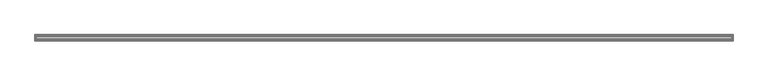
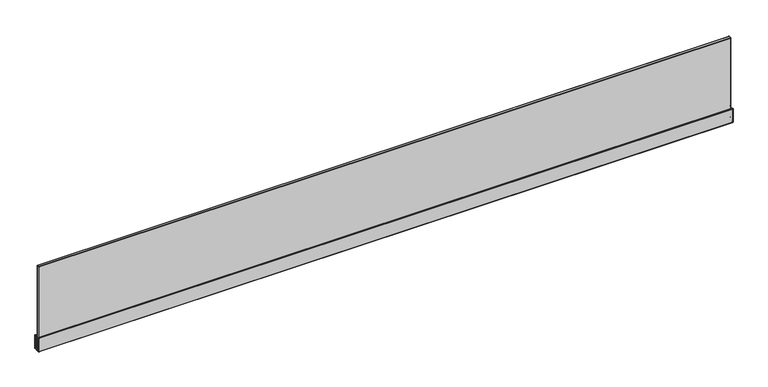
"""IFC4 building model written with IfcOpenShell, lengths in millimetres: furniture geometry."""

from ifc_helpers import new_model, si_unit, origin, place, context, project, spatial, triangles, source, transform, mapped, element, save


def furniture_5261c455(model_context):
    return source(origin(), model_context, "Body", "Tessellation", [
        triangles([(0.5079999, -14.9225017, 1119.1999992), (0.5079999, -14.4734886, 1119.0140368), (0.1487897, -14.5786988, 1118.9088106), (0.1487897, -14.9225017, 1119.0511711), (-1e-07, -14.8326986, 1118.654829), (0.1487897, -14.4362918, 1118.5650089), (0.5079999, -14.2875011, 1118.5650089), (2437.8920368, -14.2874932, 1118.5650089), (2437.8920368, -14.4734807, 1119.0140368), (2437.8920368, -14.9224926, 1119.1999992), (0.5079999, -18.097502, 1119.1999992), (0.5079999, -18.546514, 1119.0140368), (0.1487897, -18.4413037, 1118.9088106), (0.1487897, -18.097502, 1119.0511711), (-1e-07, -18.187304, 1118.654829), (0.5079999, -18.7325014, 1118.5650089), (0.1487897, -18.5837119, 1118.5650089), (-1e-07, -14.7955018, 1069.0349653), (0.1487897, -14.4362918, 1069.0349653), (0.5079999, -14.2875011, 1069.0349653), (0.1487897, -14.5786988, 1068.6911636), (0.5079999, -14.4734886, 1068.5860102), (-1e-07, -14.9225017, 1068.9080109), (0.1487897, -14.9225017, 1068.5488031), (0.5079999, -14.9225017, 1068.399975), (0.0, -25.4000008, 1068.9080109), (0.1487898, -25.4000008, 1068.5488031), (0.508, -25.4000008, 1068.399975), (0.5079999, -18.7325014, 1076.0200041), (0.5079999, -19.1044752, 1075.1219484), (0.1487897, -18.9992661, 1075.016795), (0.1487897, -18.5837119, 1076.0200041), (-1e-07, -18.7452652, 1074.7627407), (-1e-07, -18.2245019, 1076.0200041), (0.5079999, -20.0025014, 1074.7500235), (0.1487897, -20.0025014, 1074.6011953), (0.0, -20.0025014, 1074.2419876), (2437.8920368, -19.1044684, 1075.1219484), (2437.8920368, -20.0024923, 1074.7500235), (2438.2511719, -20.0024923, 1074.6011953), (2438.2511719, -18.999257, 1075.016795), (2438.4, -18.7452573, 1074.7627407), (2438.4, -20.0024923, 1074.2419876), (2437.8920368, -18.7324935, 1076.0200041), (2438.2511719, -18.5837028, 1076.0200041), (2438.4, -18.2244928, 1076.0200041), (2437.8920368, -25.4000008, 1074.7500235), (2438.2511719, -25.4000008, 1074.6011953), (2438.4, -25.4000008, 1074.2419876), (2437.8920368, -18.7324935, 1118.5650089), (2437.8920368, -18.546506, 1119.0140368), (2438.2511719, -18.4412958, 1118.9088106), (2438.2511719, -18.5837028, 1118.5650089), (2438.4, -18.187296, 1118.654829), (2437.8920368, -18.097493, 1119.1999992), (2438.2511719, -18.097493, 1119.0511711), (2438.2511719, -14.5786909, 1118.9088106), (2438.2511719, -14.9224926, 1119.0511711), (2438.4, -14.9224926, 1118.6919634), (2438.2511719, -14.4362827, 1118.5650089), (2438.4, -14.7954927, 1118.5650089), (2438.4, -14.7954927, 1069.0349653), (2438.2511719, -14.4362827, 1069.0349653), (2437.8920368, -14.2874932, 1069.0349653), (2438.2511719, -14.5786909, 1068.6911636), (2437.8920368, -14.4734807, 1068.5860102), (2438.4, -14.9224926, 1068.9080109), (2438.2511719, -14.9224926, 1068.5488031), (2437.8920368, -14.9224926, 1068.399975), (2438.4, -25.4000008, 1068.9080109), (2438.2511719, -25.4000008, 1068.5488031), (2437.8920368, -25.4000008, 1068.399975), (0.508, -25.4000008, 1074.7500235), (0.1487898, -25.4000008, 1074.6011953), (0.0, -25.4000008, 1074.2419876), (2437.8920368, -30.7974933, 1074.7500235), (0.5080001, -30.7975024, 1074.7500235), (0.5080001, -35.8775021, 1068.399975), (2437.8920368, -35.877493, 1068.399975), (0.5079999, -35.8774976, 1119.1999992), (0.5079999, -36.3265118, 1119.0140368), (0.1487897, -36.2213015, 1118.9088106), (0.1487897, -35.8774976, 1119.0511711), (-1e-07, -35.9673018, 1118.654829), (0.1487897, -36.3637097, 1118.5650089), (0.5079999, -36.5124992, 1118.5650089), (2437.8920368, -36.5125061, 1118.5650089), (2437.8920368, -36.3265209, 1119.0140368), (2437.8920368, -35.8775067, 1119.1999992), (0.5079999, -32.7024983, 1119.1999992), (0.5079999, -32.2534864, 1119.0140368), (0.1487897, -32.3586966, 1118.9088106), (0.1487897, -32.7024983, 1119.0511711), (-1e-07, -32.6126964, 1118.654829), (0.5079999, -32.0674989, 1118.5650089), (0.1487897, -32.2162885, 1118.5650089), (-1e-07, -36.0044975, 1069.0349653), (0.1487897, -36.3637097, 1069.0349653), (0.5079999, -36.5124992, 1069.0349653), (0.1487897, -36.2213015, 1068.6911636), (0.5079999, -36.3265118, 1068.5860102), (-1e-07, -35.8774976, 1068.9080109), (0.1487897, -35.8774976, 1068.5488031), (0.5079999, -32.0674989, 1076.0200041), (0.5079999, -31.695524, 1075.1219484), (0.1487897, -31.8007342, 1075.016795), (0.1487897, -32.2162885, 1076.0200041), (-1e-07, -32.054734, 1074.7627407), (-1e-07, -32.5754985, 1076.0200041), (0.1487897, -30.7974979, 1074.6011953), (0.0, -30.7974979, 1074.2419876), (2437.8920368, -31.6955331, 1075.1219484), (2438.2511719, -30.797507, 1074.6011953), (2438.2511719, -31.8007433, 1075.016795), (2438.4, -32.0547431, 1074.7627407), (2438.4, -30.797507, 1074.2419876), (2437.8920368, -32.067508, 1076.0200041), (2438.2511719, -32.2162975, 1076.0200041), (2438.4, -32.5755075, 1076.0200041), (2437.8920368, -32.067508, 1118.5650089), (2437.8920368, -32.2534932, 1119.0140368), (2438.2511719, -32.3587035, 1118.9088106), (2438.2511719, -32.2162975, 1118.5650089), (2438.4, -32.6127055, 1118.654829), (2437.8920368, -32.7025074, 1119.1999992), (2438.2511719, -32.7025074, 1119.0511711), (2438.2511719, -36.2213106, 1118.9088106), (2438.2511719, -35.8775067, 1119.0511711), (2438.4, -35.8775067, 1118.6919634), (2438.2511719, -36.3637165, 1118.5650089), (2438.4, -36.0045065, 1118.5650089), (2438.4, -36.0045065, 1069.0349653), (2438.2511719, -36.3637165, 1069.0349653), (2437.8920368, -36.5125061, 1069.0349653), (2438.2511719, -36.2213106, 1068.6911636), (2437.8920368, -36.3265209, 1068.5860102), (2438.4, -35.8775067, 1068.9080109), (2438.2511719, -35.8775067, 1068.5488031)], [[1, 2, 3], [1, 3, 4], [4, 3, 5], [5, 6, 3], [3, 6, 2], [6, 7, 2], [7, 8, 9], [7, 9, 2], [2, 9, 10], [2, 10, 1], [11, 12, 13], [11, 13, 14], [14, 13, 15], [12, 16, 17], [12, 17, 13], [13, 17, 15], [5, 18, 19], [5, 19, 6], [6, 19, 20], [6, 20, 7], [18, 21, 19], [19, 21, 22], [19, 22, 20], [18, 23, 24], [23, 24, 21], [21, 24, 25], [21, 25, 22], [23, 26, 24], [26, 27, 24], [24, 27, 25], [27, 28, 25], [29, 30, 31], [29, 31, 32], [32, 31, 33], [32, 33, 34], [30, 35, 36], [30, 36, 31], [31, 36, 37], [31, 37, 33], [38, 39, 40], [38, 40, 41], [41, 40, 42], [40, 43, 42], [38, 44, 45], [38, 45, 41], [41, 45, 46], [41, 46, 42], [39, 47, 48], [39, 48, 40], [40, 48, 43], [48, 49, 43], [50, 51, 52], [50, 52, 53], [53, 52, 54], [55, 51, 52], [55, 52, 56], [56, 52, 54], [10, 9, 57], [10, 57, 58], [58, 57, 59], [9, 8, 60], [9, 60, 57], [57, 60, 59], [55, 10, 58], [55, 58, 56], [56, 58, 59], [56, 59, 54], [54, 46, 45], [54, 45, 53], [53, 45, 44], [53, 44, 50], [61, 62, 63], [61, 63, 60], [60, 63, 64], [60, 64, 8], [62, 65, 63], [63, 65, 66], [63, 66, 64], [62, 67, 65], [67, 68, 65], [65, 68, 69], [65, 69, 66], [70, 67, 68], [70, 68, 71], [71, 68, 69], [71, 69, 72], [39, 35, 30], [39, 30, 38], [38, 30, 29], [38, 29, 44], [1, 11, 4], [11, 14, 4], [4, 14, 5], [14, 15, 5], [16, 29, 32], [16, 32, 17], [17, 32, 34], [17, 34, 15], [35, 73, 36], [73, 74, 36], [36, 74, 37], [74, 75, 37], [64, 20, 22], [64, 22, 66], [66, 22, 25], [66, 25, 69], [55, 11, 12], [55, 12, 51], [51, 12, 16], [51, 16, 50], [76, 39, 35], [76, 35, 77], [16, 29, 44], [16, 44, 50], [59, 54, 61], [61, 54, 62], [54, 46, 62], [46, 62, 67], [46, 67, 42], [42, 43, 67], [43, 67, 49], [67, 70, 49], [55, 10, 1], [55, 1, 11], [15, 5, 18], [15, 18, 34], [34, 33, 18], [33, 18, 23], [33, 23, 37], [23, 37, 75], [23, 75, 26], [78, 25, 69], [78, 69, 79], [80, 81, 82], [80, 82, 83], [83, 82, 84], [84, 85, 82], [82, 85, 81], [85, 86, 81], [86, 87, 88], [86, 88, 81], [81, 88, 89], [81, 89, 80], [90, 91, 92], [90, 92, 93], [93, 92, 94], [91, 95, 96], [91, 96, 92], [92, 96, 94], [84, 97, 98], [84, 98, 85], [85, 98, 99], [85, 99, 86], [97, 100, 98], [98, 100, 101], [98, 101, 99], [97, 102, 103], [102, 103, 100], [100, 103, 78], [100, 78, 101], [102, 26, 27], [102, 27, 103], [103, 27, 28], [103, 28, 78], [104, 105, 106], [104, 106, 107], [107, 106, 108], [107, 108, 109], [105, 77, 110], [105, 110, 106], [106, 110, 111], [106, 111, 108], [112, 76, 113], [112, 113, 114], [114, 113, 115], [113, 116, 115], [112, 117, 118], [112, 118, 114], [114, 118, 119], [114, 119, 115], [76, 47, 48], [76, 48, 113], [113, 48, 49], [113, 49, 116], [120, 121, 122], [120, 122, 123], [123, 122, 124], [125, 121, 122], [125, 122, 126], [126, 122, 124], [89, 88, 127], [89, 127, 128], [128, 127, 129], [88, 87, 130], [88, 130, 127], [127, 130, 129], [125, 89, 128], [125, 128, 126], [126, 128, 124], [128, 129, 124], [124, 119, 118], [124, 118, 123], [123, 118, 117], [123, 117, 120], [131, 132, 133], [131, 133, 130], [130, 133, 134], [130, 134, 87], [132, 135, 133], [133, 135, 136], [133, 136, 134], [132, 137, 135], [137, 138, 135], [135, 138, 79], [135, 79, 136], [70, 137, 71], [137, 138, 71], [71, 138, 72], [138, 79, 72], [76, 77, 105], [76, 105, 112], [112, 105, 104], [112, 104, 117], [80, 90, 93], [80, 93, 83], [83, 93, 94], [83, 94, 84], [95, 104, 107], [95, 107, 96], [96, 107, 109], [96, 109, 94], [77, 73, 74], [77, 74, 110], [110, 74, 75], [110, 75, 111], [134, 99, 101], [134, 101, 136], [136, 101, 78], [136, 78, 79], [125, 90, 91], [125, 91, 121], [121, 91, 95], [121, 95, 120], [120, 117, 104], [120, 104, 95], [131, 124, 129], [132, 119, 124], [132, 124, 131], [115, 132, 119], [137, 116, 115], [137, 115, 132], [49, 70, 116], [70, 137, 116], [90, 80, 89], [90, 89, 125], [109, 97, 84], [109, 84, 94], [97, 108, 109], [111, 102, 97], [111, 97, 108], [26, 75, 111], [26, 111, 102], [8, 64, 20], [8, 20, 7], [87, 134, 99], [87, 99, 86]], closed=False),
        triangles([(4.3600187, -29.3792977, 1380.1849411), (4.3600187, -29.8283097, 1379.9990513), (4.0008084, -29.7230994, 1379.8938251), (4.0008084, -29.3792977, 1380.0362583), (3.8520186, -29.4690997, 1379.6397709), (4.0008084, -29.8655076, 1379.5499508), (4.3600187, -30.0142971, 1379.5499508), (2434.0588406, -30.0143062, 1379.5499508), (2434.0588406, -29.8283188, 1379.9990513), (2434.0588406, -29.3793046, 1380.1849411), (4.3600187, -21.1242965, 1380.1849411), (4.3600187, -20.6752846, 1379.9990513), (4.0008084, -20.7804948, 1379.8938251), (4.0008084, -21.1242965, 1380.0362583), (3.8520186, -21.0344946, 1379.6397709), (4.3600187, -20.4892971, 1379.5499508), (4.0008084, -20.6380867, 1379.5499508), (3.8520186, -29.5062976, 1076.0200041), (4.0008084, -29.8655076, 1076.0200041), (4.3600187, -30.0142971, 1076.0200041), (2434.0588406, -20.4893062, 1379.5499508), (2434.0588406, -20.6752914, 1379.9990513), (2434.4179756, -20.7805017, 1379.8938251), (2434.4179756, -20.6380957, 1379.5499508), (2434.5668037, -21.0345037, 1379.6397709), (2434.0588406, -21.1243056, 1380.1849411), (2434.4179756, -21.1243056, 1380.0362583), (2434.4179756, -29.7231085, 1379.8938251), (2434.4179756, -29.3793046, 1380.0362583), (2434.5668037, -29.4691088, 1379.6397709), (2434.4179756, -29.8655167, 1379.5499508), (2434.5668037, -20.9973057, 1076.0200041), (2434.4179756, -20.6380957, 1076.0200041), (2434.0588406, -20.4893062, 1076.0200041), (2434.5668037, -29.5063044, 1076.0200041), (2434.4179756, -29.8655167, 1076.0200041), (2434.0588406, -30.0143062, 1076.0200041), (4.3600187, -20.4892971, 1076.0200041), (4.0008084, -20.6380867, 1076.0200041), (3.8520186, -20.9972967, 1076.0200041), (4.0008084, -29.3792977, 1075.5337692), (4.0008084, -29.7230994, 1075.6762024), (4.3600187, -29.8283097, 1075.5709763), (4.3600187, -29.3792977, 1075.3850138), (3.8520186, -29.3792977, 1075.892977), (2434.0588406, -29.8283188, 1075.5709763), (2434.0588406, -29.3793046, 1075.3850138), (4.0008084, -21.1242965, 1075.5337692), (4.0008084, -20.7804948, 1075.6762024), (4.3600187, -21.1242965, 1075.3850138), (4.3600187, -20.6752846, 1075.5709763), (3.8520186, -21.1242965, 1075.892977), (2434.4179756, -20.7805017, 1075.6762024), (2434.0588406, -20.6752914, 1075.5709763), (2434.4179756, -21.1243056, 1075.5337692), (2434.0588406, -21.1243056, 1075.3850138), (2434.5668037, -21.1243056, 1075.892977), (2434.4179756, -29.3793046, 1075.5337692), (2434.4179756, -29.7231085, 1075.6762024), (2434.5668037, -29.3793046, 1075.892977)], [[1, 2, 3], [1, 3, 4], [4, 3, 5], [5, 6, 3], [3, 6, 2], [6, 7, 2], [7, 8, 9], [7, 9, 2], [2, 9, 10], [2, 10, 1], [11, 12, 13], [11, 13, 14], [14, 13, 15], [12, 16, 17], [12, 17, 13], [13, 17, 15], [5, 18, 19], [5, 19, 6], [6, 19, 20], [6, 20, 7], [21, 22, 23], [21, 23, 24], [24, 23, 25], [26, 22, 23], [26, 23, 27], [27, 23, 25], [10, 9, 28], [10, 28, 29], [29, 28, 30], [9, 8, 31], [9, 31, 28], [28, 31, 30], [26, 10, 29], [26, 29, 27], [27, 29, 25], [29, 30, 25], [25, 32, 33], [25, 33, 24], [24, 33, 34], [24, 34, 21], [30, 35, 36], [30, 36, 31], [31, 36, 37], [31, 37, 8], [1, 11, 14], [1, 14, 4], [4, 14, 15], [4, 15, 5], [16, 38, 39], [16, 39, 17], [17, 39, 40], [17, 40, 15], [26, 11, 12], [26, 12, 22], [22, 12, 16], [22, 16, 21], [21, 34, 38], [21, 38, 16], [35, 32, 30], [32, 25, 30], [11, 1, 10], [11, 10, 26], [40, 18, 5], [40, 5, 15], [8, 37, 20], [8, 20, 7], [41, 42, 43], [41, 43, 44], [45, 42, 41], [42, 19, 18], [42, 18, 45], [43, 20, 19], [43, 19, 42], [43, 46, 37], [43, 37, 20], [44, 47, 46], [44, 46, 43], [48, 49, 50], [49, 51, 50], [52, 49, 48], [49, 39, 38], [49, 38, 51], [52, 40, 39], [52, 39, 49], [33, 53, 54], [33, 54, 34], [32, 53, 33], [55, 53, 56], [53, 54, 56], [57, 53, 55], [58, 59, 47], [59, 46, 47], [60, 59, 58], [59, 36, 46], [36, 37, 46], [60, 35, 36], [60, 36, 59], [55, 58, 56], [58, 47, 56], [57, 60, 55], [60, 58, 55], [41, 48, 50], [41, 50, 44], [45, 52, 48], [45, 48, 41], [54, 51, 50], [54, 50, 56], [34, 38, 51], [34, 51, 54], [57, 60, 35], [57, 35, 32], [56, 47, 44], [56, 44, 50], [45, 52, 40], [45, 40, 18]], closed=False),
    ])


if __name__ == "__main__":
    model = new_model("IFC4")
    model_context = context("Model", 3, world=origin())
    ifc_project = project(units=[si_unit("LENGTHUNIT", "METRE", prefix="MILLI")], contexts=[model_context])
    site = spatial("IfcSite", under=ifc_project)
    building = spatial("IfcBuilding", under=site)
    placement = place(None, origin())
    furniture_shape = furniture_5261c455(model_context)
    element("IfcFurniture", 1, at=placement, inside=building, context=model_context, shape_type="MappedRepresentation", body=[
        mapped(furniture_shape, transform((0.0, 0.0, 0.0), x_axis=(1.0, 0.0, 0.0), y_axis=(0.0, 1.0, 0.0), z_axis=(0.0, 0.0, 1.0))),
    ])
    save(model, "model.ifc")
